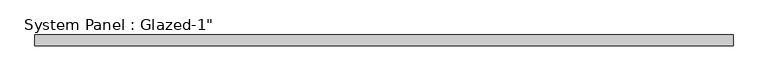
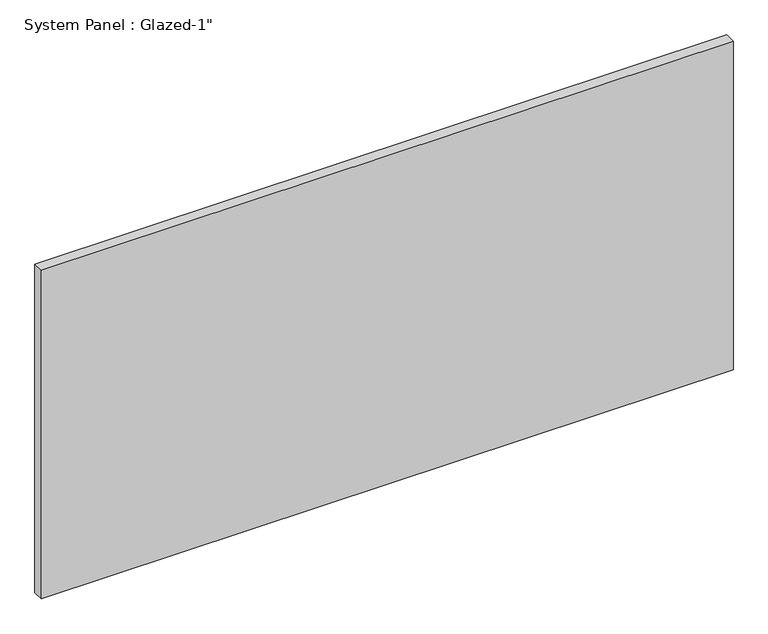
"""IFC4 building model written with IfcOpenShell, lengths in millimetres: plate geometry."""

from ifc_helpers import new_model, si_unit, origin, origin_with_axes, place, context, project, spatial, polyline, outline, extrude, source, transform, mapped, element, save


def plate_7e43d4d4(model_context):
    return source(origin(), model_context, "Body", "SweptSolid", [
        extrude(outline(polyline([(809.625292, 25.4), (-809.625292, 25.4), (-809.625292, 50.8), (809.625292, 50.8), (809.625292, 25.4)])), origin_with_axes(), (0.0, 0.0, 1.0), 812.8),
    ])


if __name__ == "__main__":
    model = new_model("IFC4")
    model_context = context("Model", 3, world=origin())
    ifc_project = project(units=[si_unit("LENGTHUNIT", "METRE", prefix="MILLI")], contexts=[model_context])
    site = spatial("IfcSite", under=ifc_project)
    building = spatial("IfcBuilding", under=site)
    placement = place(None, origin())
    plate_shape = plate_7e43d4d4(model_context)
    element("IfcPlate", 1, ObjectType="System Panel : Glazed-1\"", at=placement, inside=building, context=model_context, shape_type="MappedRepresentation", body=[
        mapped(plate_shape, transform((0.0, 0.0, 0.0), x_axis=(1.0, 0.0, 0.0), y_axis=(0.0, 1.0, 0.0), z_axis=(0.0, 0.0, 1.0))),
    ])
    save(model, "model.ifc")
